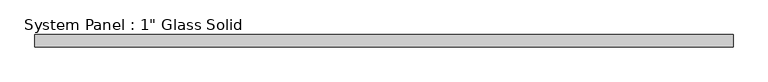
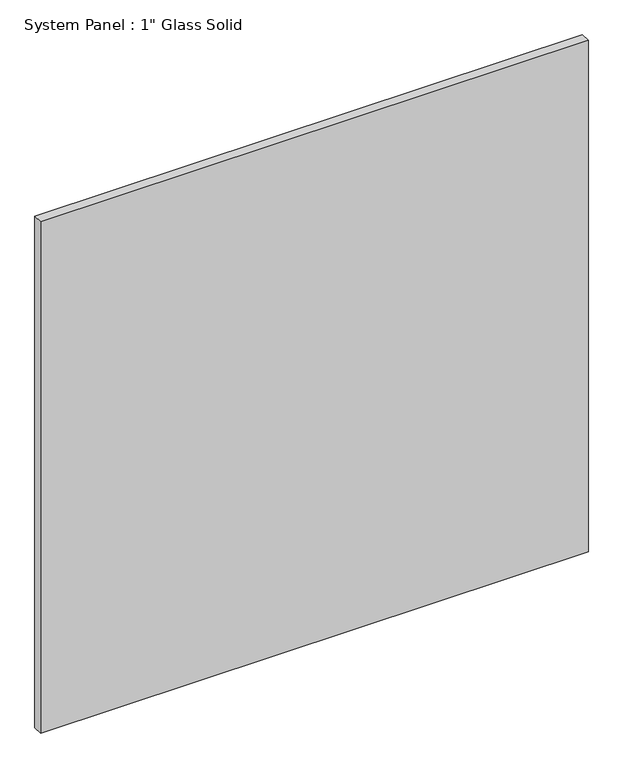
"""IFC4 building model written with IfcOpenShell, lengths in millimetres: plate geometry."""

from ifc_helpers import new_model, si_unit, origin, origin_with_axes, place, context, project, spatial, polyline, outline, extrude, source, transform, mapped, element, save


def plate_d1f240fb(model_context):
    return source(origin(), model_context, "Body", "SweptSolid", [
        extrude(outline(polyline([(716.4429024, -12.7), (-716.4429024, -12.7), (-716.4429024, 12.7), (716.4429024, 12.7), (716.4429024, -12.7)])), origin_with_axes(), (0.0, 0.0, 1.0), 1412.7661731),
    ])


if __name__ == "__main__":
    model = new_model("IFC4")
    model_context = context("Model", 3, world=origin())
    ifc_project = project(units=[si_unit("LENGTHUNIT", "METRE", prefix="MILLI")], contexts=[model_context])
    site = spatial("IfcSite", under=ifc_project)
    building = spatial("IfcBuilding", under=site)
    placement = place(None, origin())
    plate_shape = plate_d1f240fb(model_context)
    element("IfcPlate", 1, ObjectType="System Panel : 1\" Glass Solid", at=placement, inside=building, context=model_context, shape_type="MappedRepresentation", body=[
        mapped(plate_shape, transform((0.0, 0.0, 0.0), x_axis=(1.0, 0.0, 0.0), y_axis=(0.0, 1.0, 0.0), z_axis=(0.0, 0.0, 1.0))),
    ])
    save(model, "model.ifc")
